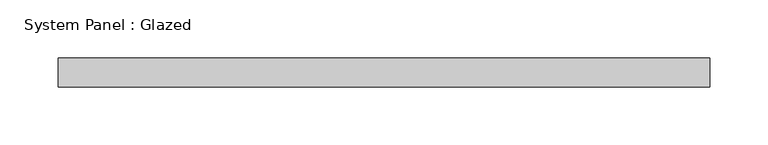
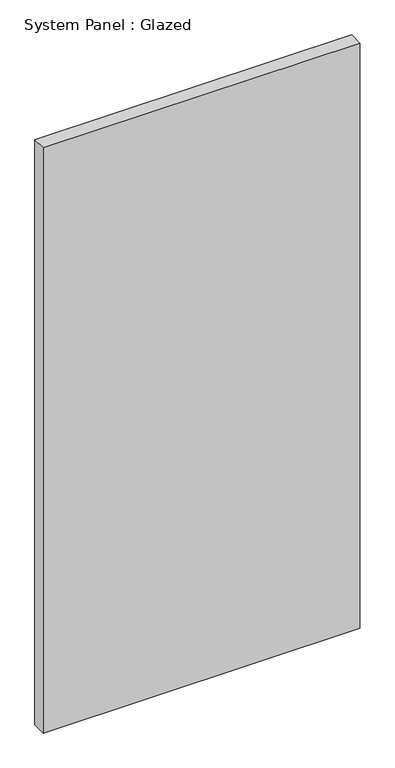
"""IFC4 building model written with IfcOpenShell, lengths in millimetres: plate geometry, System Panel : Glazed."""

from ifc_helpers import new_model, si_unit, origin, origin_with_axes, place, context, project, spatial, polyline, outline, extrude, source, transform, mapped, element, save


def system_panel_glazed_45538f56(model_context):
    return source(origin(), model_context, "Body", "SweptSolid", [
        extrude(outline(polyline([(280.5, -12.5), (-280.5, -12.5), (-280.5, 12.5), (280.5, 12.5), (280.5, -12.5)])), origin_with_axes(), (0.0, 0.0, 1.0), 1095.2673911),
    ])


if __name__ == "__main__":
    model = new_model("IFC4")
    model_context = context("Model", 3, world=origin())
    ifc_project = project(units=[si_unit("LENGTHUNIT", "METRE", prefix="MILLI")], contexts=[model_context])
    site = spatial("IfcSite", under=ifc_project)
    building = spatial("IfcBuilding", under=site)
    placement = place(None, origin())
    system_panel_glazed_shape = system_panel_glazed_45538f56(model_context)
    element("IfcPlate", 1, ObjectType="System Panel : Glazed", at=placement, inside=building, context=model_context, shape_type="MappedRepresentation", body=[
        mapped(system_panel_glazed_shape, transform((0.0, 0.0, 0.0), x_axis=(1.0, 0.0, 0.0), y_axis=(0.0, 1.0, 0.0), z_axis=(0.0, 0.0, 1.0))),
    ])
    save(model, "model.ifc")
